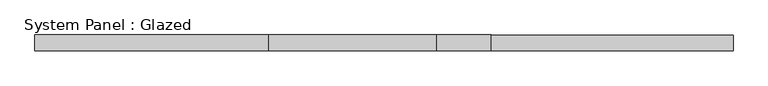
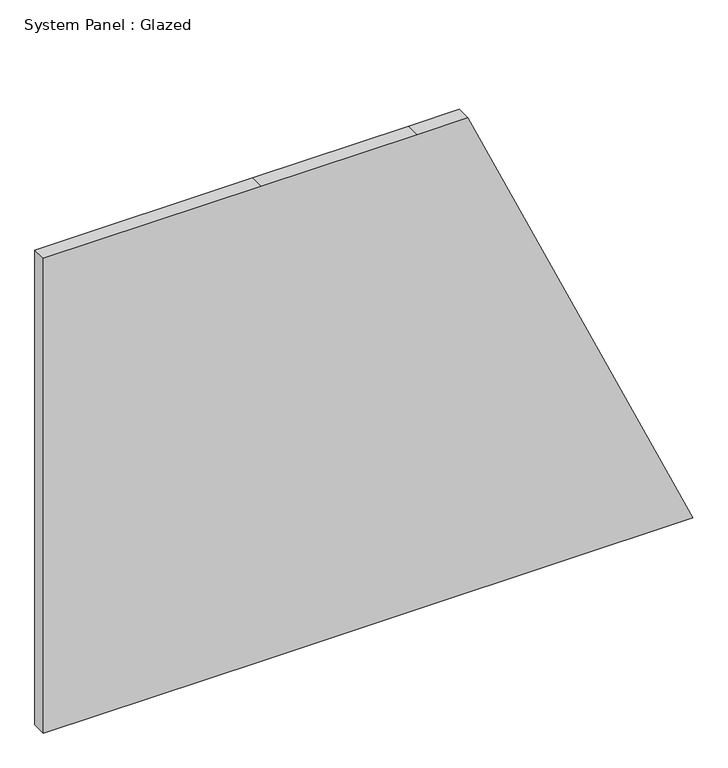
"""IFC4 building model written with IfcOpenShell, lengths in millimetres: plate geometry, System Panel : Glazed."""

from ifc_helpers import new_model, si_unit, point, frame, frame_2d, origin, place, context, project, spatial, polyline, circle_curve, trimmed, segment, composite_curve, outline, extrude, source, transform, mapped, element, save


def system_panel_glazed_dc2fa366(model_context):
    return source(origin(), model_context, "Body", "SweptSolid", [
        extrude(outline(composite_curve([segment(polyline([(0.0, -550.1692366), (0.0, -181.3957252), (0.0, 83.2488547), (0.0, 550.1692366)]), True, "CONTINUOUS"), segment(trimmed(circle_curve(frame_2d((-2376.8533559, -5889.1878973)), 6864.0186607), [point((0.0, 550.1692366))], [point((850.0, 169.0436593))], False, "CARTESIAN"), True, "CONTINUOUS"), segment(polyline([(850.0, 169.0436593), (850.0, 83.2488547), (850.0, -181.3957252), (850.0, -550.1692366), (0.0, -550.1692366)]), True, "CONTINUOUS")], self_intersect=False)), frame((0.0, 24.5, 0.0), z_axis=(0.0, 1.0, 0.0), x_axis=(0.0, 0.0, 1.0)), (0.0, 0.0, 1.0), 25.0),
    ])


if __name__ == "__main__":
    model = new_model("IFC4")
    model_context = context("Model", 3, world=origin())
    ifc_project = project(units=[si_unit("LENGTHUNIT", "METRE", prefix="MILLI")], contexts=[model_context])
    site = spatial("IfcSite", under=ifc_project)
    building = spatial("IfcBuilding", under=site)
    placement = place(None, origin())
    system_panel_glazed_shape = system_panel_glazed_dc2fa366(model_context)
    element("IfcPlate", 1, ObjectType="System Panel : Glazed", at=placement, inside=building, context=model_context, shape_type="MappedRepresentation", body=[
        mapped(system_panel_glazed_shape, transform((0.0, 0.0, 0.0), x_axis=(1.0, 0.0, 0.0), y_axis=(0.0, 1.0, 0.0), z_axis=(0.0, 0.0, 1.0))),
    ])
    save(model, "model.ifc")
